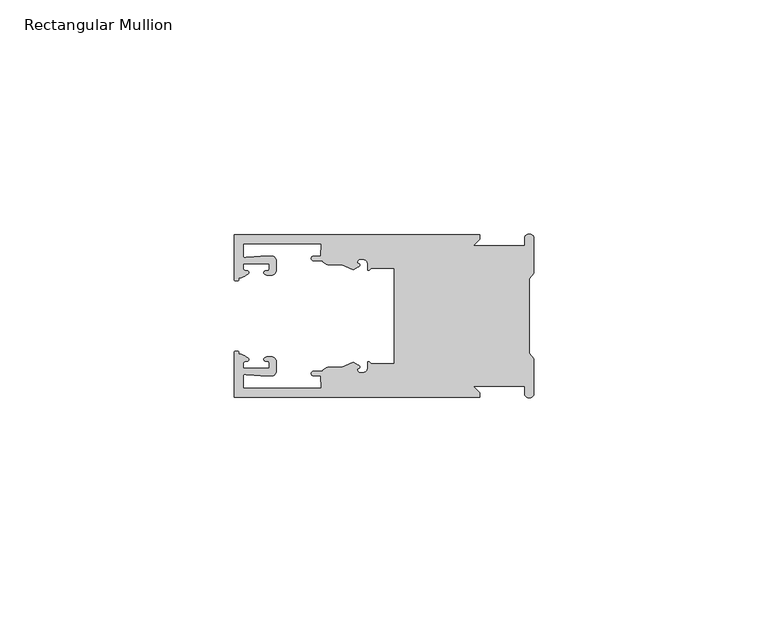
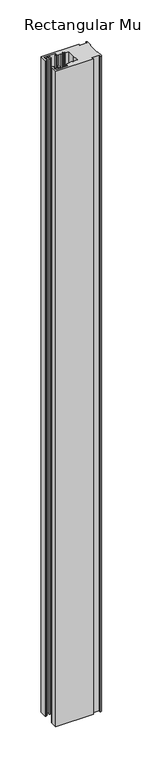
"""IFC4 building model written with IfcOpenShell, lengths in millimetres: member geometry, Rectangular Mullion."""

from ifc_helpers import new_model, si_unit, frame, origin, place, context, project, spatial, polyline, circle_curve, source, transform, mapped, element, save
from ifc_brep_helpers import plane_surface, cylinder_surface, revolved_surface, extruded_surface, spline_curve, advanced_brep


def rectangular_mullion_91ece413(model_context):
    return source(origin(), model_context, "Body", "AdvancedBrep", [
        advanced_brep(
        [(-11.5387897, 17.4000478, 0.0), (-64.0387868, 17.4000478, 0.0), (-64.0387868, 7.8350057, 0.0), (-63.2884687, 7.5412947, 0.0), (-62.4614154, 8.1921895, 0.0), (-62.0410649, 9.9426451, 0.0), (-62.0424168, 11.1926444, 0.0), (-56.54242, 11.1985924, 0.0), (-56.5410682, 9.9485931, 0.0), (-57.1085345, 8.7314723, 0.0), (-56.0397166, 8.6991345, 0.0), (-55.0407987, 9.7002154, 0.0), (-55.0430697, 11.8002142, 0.0), (-56.0446364, 12.7991315, 0.0), (-58.3650753, 12.7954945, 0.0), (-61.1340054, 12.5502269, 0.0), (-62.044093, 12.7426435, 0.0), (-62.0469668, 15.4000478, 0.0), (-45.4240312, 15.4000478, 0.0), (-45.5732135, 12.8000478, 0.0), (-47.0387868, 12.8000478, 0.0), (-47.0387868, 11.8000478, 0.0), (-45.2543363, 11.8000478, 0.0), (-43.6387868, 10.9000478, 0.0), (-41.0454034, 10.9000478, 0.0), (-38.5697136, 9.8718293, 0.0), (-37.5387868, 10.4670351, 0.0), (-37.6803436, 11.4201497, 0.0), (-37.0270763, 12.1583697, 0.0), (-36.2010815, 12.0127245, 0.0), (-35.54, 11.2248783, 0.0), (-35.54, 10.0, 0.0), (-34.7705791, 10.25, 0.0), (-29.79, 10.25, 0.0), (-29.79, 0.0, 0.0), (-29.79, -10.25, 0.0), (-34.7705791, -10.25, 0.0), (-35.54, -10.0, 0.0), (-35.54, -11.2248783, 0.0), (-36.2010815, -12.0127245, 0.0), (-37.0270763, -12.1583697, 0.0), (-37.6803436, -11.4201497, 0.0), (-37.5387868, -10.4670351, 0.0), (-38.5697136, -9.8718293, 0.0), (-41.0454034, -10.9000478, 0.0), (-43.6387868, -10.9000478, 0.0), (-45.2543363, -11.8000478, 0.0), (-47.0387868, -11.8000478, 0.0), (-47.0387868, -12.8000478, 0.0), (-45.5732135, -12.8000478, 0.0), (-45.4240312, -15.4000478, 0.0), (-62.0469668, -15.4000478, 0.0), (-62.044093, -12.7426435, 0.0), (-61.1340054, -12.5502269, 0.0), (-58.3650753, -12.7954945, 0.0), (-56.0446364, -12.7991314, 0.0), (-55.0430697, -11.8002142, 0.0), (-55.0407987, -9.7002154, 0.0), (-56.0397166, -8.6991345, 0.0), (-57.1085345, -8.7314723, 0.0), (-56.5410682, -9.9485931, 0.0), (-56.54242, -11.1985924, 0.0), (-62.0424168, -11.1926444, 0.0), (-62.0410649, -9.9426451, 0.0), (-62.4614154, -8.1921895, 0.0), (-63.2884687, -7.5412947, 0.0), (-64.0387868, -7.8350057, 0.0), (-64.0387868, -17.4000478, 0.0), (-11.5387897, -17.4000478, 0.0), (-11.5387897, -16.4000449, 0.0), (-12.9388346, -15.0, 0.0), (-2.0, -15.0, 0.0), (-2.0, -16.5, 0.0), (0.0, -16.5, 0.0), (0.0, -9.1160254, 0.0), (-1.0, -7.9613249, 0.0), (-1.0, 0.0, 0.0), (-1.0, 7.9613249, 0.0), (0.0, 9.1160254, 0.0), (0.0, 16.5, 0.0), (-2.0, 16.5, 0.0), (-2.0, 15.0, 0.0), (-12.9388346, 15.0, 0.0), (-11.5387897, 16.4000449, 0.0), (-11.5387897, 17.4000478, -965.2), (-11.5387897, 16.4000449, -965.2), (-12.9388346, 15.0, -965.2), (-2.0, 15.0, -965.2), (-2.0, 16.5, -965.2), (0.0, 16.5, -965.2), (0.0, 9.1160254, -965.2), (-1.0, 7.9613249, -965.2), (-1.0, 0.0, -965.2), (-1.0, -7.9613249, -965.2), (0.0, -9.1160254, -965.2), (0.0, -16.5, -965.2), (-2.0, -16.5, -965.2), (-2.0, -15.0, -965.2), (-12.9388346, -15.0, -965.2), (-11.5387897, -16.4000449, -965.2), (-11.5387897, -17.4000478, -965.2), (-64.0387868, -17.4000478, -965.2), (-64.0387868, -7.8350057, -965.2), (-63.2884687, -7.5412947, -965.2), (-62.4614154, -8.1921895, -965.2), (-62.0410649, -9.9426451, -965.2), (-62.0424168, -11.1926444, -965.2), (-56.54242, -11.1985924, -965.2), (-56.5410682, -9.9485931, -965.2), (-57.1085345, -8.7314723, -965.2), (-56.0397166, -8.6991345, -965.2), (-55.0407987, -9.7002154, -965.2), (-55.0430697, -11.8002142, -965.2), (-56.0446364, -12.7991315, -965.2), (-58.3650753, -12.7954945, -965.2), (-61.1340054, -12.5502269, -965.2), (-62.044093, -12.7426435, -965.2), (-62.0469668, -15.4000478, -965.2), (-45.4240312, -15.4000478, -965.2), (-45.5732135, -12.8000478, -965.2), (-47.0387868, -12.8000478, -965.2), (-47.0387868, -11.8000478, -965.2), (-45.2543363, -11.8000478, -965.2), (-43.6387868, -10.9000478, -965.2), (-41.0454034, -10.9000478, -965.2), (-38.5697136, -9.8718293, -965.2), (-37.5387868, -10.4670351, -965.2), (-37.6803436, -11.4201497, -965.2), (-37.0270763, -12.1583697, -965.2), (-36.2010815, -12.0127245, -965.2), (-35.54, -11.2248783, -965.2), (-35.54, -10.0, -965.2), (-34.7705791, -10.25, -965.2), (-29.79, -10.25, -965.2), (-29.79, 0.0, -965.2), (-29.79, 10.25, -965.2), (-34.7705791, 10.25, -965.2), (-35.54, 10.0, -965.2), (-35.54, 11.2248783, -965.2), (-36.2010815, 12.0127245, -965.2), (-37.0270763, 12.1583697, -965.2), (-37.6803436, 11.4201497, -965.2), (-37.5387868, 10.4670351, -965.2), (-38.5697136, 9.8718293, -965.2), (-41.0454034, 10.9000478, -965.2), (-43.6387868, 10.9000478, -965.2), (-45.2543363, 11.8000478, -965.2), (-47.0387868, 11.8000478, -965.2), (-47.0387868, 12.8000478, -965.2), (-45.5732135, 12.8000478, -965.2), (-45.4240312, 15.4000478, -965.2), (-62.0469668, 15.4000478, -965.2), (-62.044093, 12.7426435, -965.2), (-61.1340054, 12.5502269, -965.2), (-58.3650753, 12.7954945, -965.2), (-56.0446364, 12.7991314, -965.2), (-55.0430697, 11.8002142, -965.2), (-55.0407987, 9.7002154, -965.2), (-56.0397166, 8.6991345, -965.2), (-57.1085345, 8.7314723, -965.2), (-56.5410682, 9.9485931, -965.2), (-56.54242, 11.1985924, -965.2), (-62.0424168, 11.1926444, -965.2), (-62.0410649, 9.9426451, -965.2), (-62.4614154, 8.1921895, -965.2), (-63.2884687, 7.5412947, -965.2), (-64.0387868, 7.8350057, -965.2), (-64.0387868, 17.4000478, -965.2)],
        [
            (0, 1),
            (1, 2),
            (2, 3, spline_curve(3, [(-64.0387868, 7.8350057, 0.0), (-64.038491377, 7.561831774, 0.0), (-63.788385325, 7.463928087, 0.0), (-63.2884687, 7.5412947, 0.0)], [4, 4], [0.0, 0.0019169337574178654])),
            (3, 4, spline_curve(3, [(-63.2884687, 7.5412947, 0.0), (-63.057760917, 7.582232011, 0.0), (-63.018445067, 7.725390894, 0.0), (-63.019925494, 8.056436881, 0.0), (-63.103444208, 8.236386866, 0.0), (-62.4614154, 8.1921895, 0.0)], [4, 2, 4], [0.0, 0.0010199524164107188, 0.0024874514725970356])),
            (4, 5, spline_curve(3, [(-62.4614154, 8.1921895, 0.0), (-60.988497673, 8.880962536, 0.0), (-60.794045122, 9.192776957, 0.0), (-60.949808078, 9.57023562, 0.0), (-61.145214014, 9.682771697, 0.0), (-61.665835706, 9.714019003, 0.0), (-61.965242574, 9.660891484, 0.0), (-62.0410649, 9.9426451, 0.0)], [4, 2, 2, 4], [0.0, 0.003269869179570428, 0.005490050486237203, 0.0073545767114364426])),
            (5, 6),
            (6, 7),
            (7, 8),
            (8, 9, spline_curve(3, [(-56.5410682, 9.9485931, 0.0), (-56.634838635, 9.597117104, 0.0), (-56.904956774, 9.698238818, 0.0), (-57.324171444, 9.731086209, 0.0), (-57.45969165, 9.646199885, 0.0), (-57.729003352, 9.346016011, 0.0), (-57.859492582, 9.113082158, 0.0), (-57.1085345, 8.7314723, 0.0)], [4, 2, 2, 4], [0.0, 0.001593963049934732, 0.0033360256320283306, 0.005339140673503943])),
            (9, 10),
            (10, 11, circle_curve(frame((-56.0407981, 9.699134, 0.0), z_axis=(0.0, 0.0, 1.0), x_axis=(0.0010814451158627505, -0.9999994152380598, 0.0)), 1.0)),
            (11, 12),
            (12, 13, circle_curve(frame((-56.0430691, 11.7991327, 0.0), z_axis=(0.0, 0.0, 1.0), x_axis=(0.0010814451158627505, -0.9999994152380598, 0.0)), 1.0)),
            (13, 14),
            (14, 15),
            (15, 16, spline_curve(3, [(-61.1340054, 12.5502269, 0.0), (-61.605485428, 12.508463911, 0.0), (-61.992111419, 12.303164326, 0.0), (-62.044093, 12.7426435, 0.0)], [4, 4], [0.0, 0.0014803385355886016])),
            (16, 17),
            (17, 18),
            (18, 19),
            (19, 20),
            (20, 21, circle_curve(frame((-47.0387868, 12.3000478, 0.0), z_axis=(0.0, 0.0, 1.0), x_axis=(0.0, -1.0, 0.0)), 0.5)),
            (21, 22),
            (22, 23, circle_curve(frame((-43.6387868, 12.8000478, 0.0), z_axis=(0.0, 0.0, 1.0), x_axis=(0.0, -1.0, 0.0)), 1.9)),
            (23, 24),
            (24, 25),
            (25, 26),
            (26, 27, spline_curve(3, [(-37.5387868, 10.4670351, 0.0), (-36.973919853, 10.833863985, 0.0), (-37.198159645, 11.135696286, 0.0), (-37.587892011, 11.260246073, 0.0), (-37.754584192, 11.180452419, 0.0), (-37.6803436, 11.4201497, 0.0)], [4, 2, 4], [0.0, 0.0019283703160353726, 0.003394584635652914])),
            (27, 28, circle_curve(frame((-37.0434863, 11.5147359, 0.0), z_axis=(0.0, 0.0, -1.0), x_axis=(0.0, -1.0, 0.0)), 0.643843)),
            (28, 29),
            (29, 30, circle_curve(frame((-36.34, 11.2248783, 0.0), z_axis=(0.0, 0.0, -1.0), x_axis=(0.0, -1.0, 0.0)), 0.8)),
            (30, 31),
            (31, 32, spline_curve(3, [(-35.54, 10.0, 0.0), (-35.440000238, 9.598293201, 0.0), (-35.183526594, 9.681626535, 0.0), (-34.7705791, 10.25, 0.0)], [4, 4], [0.0, 0.0027473296990141553])),
            (32, 33),
            (33, 34),
            (34, 35),
            (35, 36),
            (36, 37, spline_curve(3, [(-34.7705791, -10.25, 0.0), (-35.183526594, -9.681626535, 0.0), (-35.440000238, -9.598293201, 0.0), (-35.54, -10.0, 0.0)], [4, 4], [0.0, 0.0027473296990141553])),
            (37, 38),
            (38, 39, circle_curve(frame((-36.34, -11.2248783, 0.0), z_axis=(0.0, 0.0, -1.0), x_axis=(0.0, 1.0, 0.0)), 0.8)),
            (39, 40),
            (40, 41, circle_curve(frame((-37.0434863, -11.5147359, 0.0), z_axis=(0.0, 0.0, -1.0), x_axis=(0.0, 1.0, 0.0)), 0.643843)),
            (41, 42, spline_curve(3, [(-37.6803436, -11.4201497, 0.0), (-37.754584192, -11.180452419, 0.0), (-37.587892011, -11.260246073, 0.0), (-37.198159645, -11.135696286, 0.0), (-36.973919853, -10.833863985, 0.0), (-37.5387868, -10.4670351, 0.0)], [4, 2, 4], [0.0, 0.0014662143196175414, 0.003394584635652914])),
            (42, 43),
            (43, 44),
            (44, 45),
            (45, 46, circle_curve(frame((-43.6387868, -12.8000478, 0.0), z_axis=(0.0, 0.0, 1.0), x_axis=(0.0, 1.0, 0.0)), 1.9)),
            (46, 47),
            (47, 48, circle_curve(frame((-47.0387868, -12.3000478, 0.0), z_axis=(0.0, 0.0, 1.0), x_axis=(0.0, 1.0, 0.0)), 0.5)),
            (48, 49),
            (49, 50),
            (50, 51),
            (51, 52),
            (52, 53, spline_curve(3, [(-62.044093, -12.7426435, 0.0), (-61.992111419, -12.303164326, 0.0), (-61.605485428, -12.508463911, 0.0), (-61.1340054, -12.5502269, 0.0)], [4, 4], [0.0, 0.0014803385355886016])),
            (53, 54),
            (54, 55),
            (55, 56, circle_curve(frame((-56.0430691, -11.7991327, 0.0), z_axis=(0.0, 0.0, 1.0), x_axis=(0.001081445115855867, 0.9999994152380598, 0.0)), 1.0)),
            (56, 57),
            (57, 58, circle_curve(frame((-56.0407981, -9.699134, 0.0), z_axis=(0.0, 0.0, 1.0), x_axis=(0.001081445115855867, 0.9999994152380598, 0.0)), 1.0)),
            (58, 59),
            (59, 60, spline_curve(3, [(-57.1085345, -8.7314723, 0.0), (-57.859492582, -9.113082158, 0.0), (-57.729003352, -9.346016011, 0.0), (-57.45969165, -9.646199885, 0.0), (-57.324171444, -9.731086209, 0.0), (-56.904956774, -9.698238818, 0.0), (-56.634838635, -9.597117104, 0.0), (-56.5410682, -9.9485931, 0.0)], [4, 2, 2, 4], [0.0, 0.002003115041475612, 0.0037451776235692107, 0.005339140673503943])),
            (60, 61),
            (61, 62),
            (62, 63),
            (63, 64, spline_curve(3, [(-62.0410649, -9.9426451, 0.0), (-61.965242574, -9.660891484, 0.0), (-61.665835706, -9.714019003, 0.0), (-61.145214014, -9.682771697, 0.0), (-60.949808078, -9.57023562, 0.0), (-60.794045122, -9.192776957, 0.0), (-60.988497673, -8.880962536, 0.0), (-62.4614154, -8.1921895, 0.0)], [4, 2, 2, 4], [0.0, 0.0018645262251992395, 0.004084707531866015, 0.0073545767114364426])),
            (64, 65, spline_curve(3, [(-62.4614154, -8.1921895, 0.0), (-63.103444208, -8.236386866, 0.0), (-63.019925494, -8.056436881, 0.0), (-63.018445067, -7.725390894, 0.0), (-63.057760917, -7.582232011, 0.0), (-63.2884687, -7.5412947, 0.0)], [4, 2, 4], [0.0, 0.0014674990561863168, 0.0024874514725970356])),
            (65, 66, spline_curve(3, [(-63.2884687, -7.5412947, 0.0), (-63.788385325, -7.463928087, 0.0), (-64.038491377, -7.561831774, 0.0), (-64.0387868, -7.8350057, 0.0)], [4, 4], [0.0, 0.0019169337574178654])),
            (66, 67),
            (67, 68),
            (68, 69),
            (69, 70),
            (70, 71),
            (71, 72),
            (72, 73, circle_curve(frame((-1.0, -16.5, 0.0), z_axis=(0.0, 0.0, 1.0), x_axis=(0.0, 1.0, 0.0)), 1.0)),
            (73, 74),
            (74, 75),
            (75, 76),
            (76, 77),
            (77, 78),
            (78, 79),
            (79, 80, circle_curve(frame((-1.0, 16.5, 0.0), z_axis=(0.0, 0.0, 1.0), x_axis=(0.0, -1.0, 0.0)), 1.0)),
            (80, 81),
            (81, 82),
            (82, 83),
            (83, 0),
            (84, 85),
            (85, 86),
            (86, 87),
            (87, 88),
            (88, 89, circle_curve(frame((-1.0, 16.5, -965.2), z_axis=(0.0, 0.0, -1.0), x_axis=(0.0, -1.0, 0.0)), 1.0)),
            (89, 90),
            (90, 91),
            (91, 92),
            (92, 93),
            (93, 94),
            (94, 95),
            (95, 96, circle_curve(frame((-1.0, -16.5, -965.2), z_axis=(0.0, 0.0, -1.0), x_axis=(0.0, 1.0, 0.0)), 1.0)),
            (96, 97),
            (97, 98),
            (98, 99),
            (99, 100),
            (100, 101),
            (101, 102),
            (102, 103, spline_curve(3, [(-64.0387868, -7.8350057, -965.2), (-64.038491377, -7.561831774, -965.2), (-63.788385325, -7.463928087, -965.2), (-63.2884687, -7.5412947, -965.2)], [4, 4], [0.0, 0.0019169337574178654])),
            (103, 104, spline_curve(3, [(-63.2884687, -7.5412947, -965.2), (-63.057760917, -7.582232011, -965.2), (-63.018445067, -7.725390894, -965.2), (-63.019925494, -8.056436881, -965.2), (-63.103444208, -8.236386866, -965.2), (-62.4614154, -8.1921895, -965.2)], [4, 2, 4], [0.0, 0.0010199524164107188, 0.0024874514725970356])),
            (104, 105, spline_curve(3, [(-62.4614154, -8.1921895, -965.2), (-60.988497673, -8.880962536, -965.2), (-60.794045122, -9.192776957, -965.2), (-60.949808078, -9.57023562, -965.2), (-61.145214014, -9.682771697, -965.2), (-61.665835706, -9.714019003, -965.2), (-61.965242574, -9.660891484, -965.2), (-62.0410649, -9.9426451, -965.2)], [4, 2, 2, 4], [0.0, 0.003269869179570428, 0.005490050486237203, 0.0073545767114364426])),
            (105, 106),
            (106, 107),
            (107, 108),
            (108, 109, spline_curve(3, [(-56.5410682, -9.9485931, -965.2), (-56.634838635, -9.597117104, -965.2), (-56.904956774, -9.698238818, -965.2), (-57.324171444, -9.731086209, -965.2), (-57.45969165, -9.646199885, -965.2), (-57.729003352, -9.346016011, -965.2), (-57.859492582, -9.113082158, -965.2), (-57.1085345, -8.7314723, -965.2)], [4, 2, 2, 4], [0.0, 0.001593963049934732, 0.0033360256320283306, 0.005339140673503943])),
            (109, 110),
            (110, 111, circle_curve(frame((-56.0407981, -9.699134, -965.2), z_axis=(0.0, 0.0, -1.0), x_axis=(0.001081445115855867, 0.9999994152380598, 0.0)), 1.0)),
            (111, 112),
            (112, 113, circle_curve(frame((-56.0430691, -11.7991327, -965.2), z_axis=(0.0, 0.0, -1.0), x_axis=(0.001081445115855867, 0.9999994152380598, 0.0)), 1.0)),
            (113, 114),
            (114, 115),
            (115, 116, spline_curve(3, [(-61.1340054, -12.5502269, -965.2), (-61.605485428, -12.508463911, -965.2), (-61.992111419, -12.303164326, -965.2), (-62.044093, -12.7426435, -965.2)], [4, 4], [0.0, 0.0014803385355886016])),
            (116, 117),
            (117, 118),
            (118, 119),
            (119, 120),
            (120, 121, circle_curve(frame((-47.0387868, -12.3000478, -965.2), z_axis=(0.0, 0.0, -1.0), x_axis=(0.0, 1.0, 0.0)), 0.5)),
            (121, 122),
            (122, 123, circle_curve(frame((-43.6387868, -12.8000478, -965.2), z_axis=(0.0, 0.0, -1.0), x_axis=(0.0, 1.0, 0.0)), 1.9)),
            (123, 124),
            (124, 125),
            (125, 126),
            (126, 127, spline_curve(3, [(-37.5387868, -10.4670351, -965.2), (-36.973919853, -10.833863985, -965.2), (-37.198159645, -11.135696286, -965.2), (-37.587892011, -11.260246073, -965.2), (-37.754584192, -11.180452419, -965.2), (-37.6803436, -11.4201497, -965.2)], [4, 2, 4], [0.0, 0.0019283703160353726, 0.003394584635652914])),
            (127, 128, circle_curve(frame((-37.0434863, -11.5147359, -965.2), z_axis=(0.0, 0.0, 1.0), x_axis=(0.0, 1.0, 0.0)), 0.643843)),
            (128, 129),
            (129, 130, circle_curve(frame((-36.34, -11.2248783, -965.2), z_axis=(0.0, 0.0, 1.0), x_axis=(0.0, 1.0, 0.0)), 0.8)),
            (130, 131),
            (131, 132, spline_curve(3, [(-35.54, -10.0, -965.2), (-35.440000238, -9.598293201, -965.2), (-35.183526594, -9.681626535, -965.2), (-34.7705791, -10.25, -965.2)], [4, 4], [0.0, 0.0027473296990141553])),
            (132, 133),
            (133, 134),
            (134, 135),
            (135, 136),
            (136, 137, spline_curve(3, [(-34.7705791, 10.25, -965.2), (-35.183526594, 9.681626535, -965.2), (-35.440000238, 9.598293201, -965.2), (-35.54, 10.0, -965.2)], [4, 4], [0.0, 0.0027473296990141553])),
            (137, 138),
            (138, 139, circle_curve(frame((-36.34, 11.2248783, -965.2), z_axis=(0.0, 0.0, 1.0), x_axis=(0.0, -1.0, 0.0)), 0.8)),
            (139, 140),
            (140, 141, circle_curve(frame((-37.0434863, 11.5147359, -965.2), z_axis=(0.0, 0.0, 1.0), x_axis=(0.0, -1.0, 0.0)), 0.643843)),
            (141, 142, spline_curve(3, [(-37.6803436, 11.4201497, -965.2), (-37.754584192, 11.180452419, -965.2), (-37.587892011, 11.260246073, -965.2), (-37.198159645, 11.135696286, -965.2), (-36.973919853, 10.833863985, -965.2), (-37.5387868, 10.4670351, -965.2)], [4, 2, 4], [0.0, 0.0014662143196175414, 0.003394584635652914])),
            (142, 143),
            (143, 144),
            (144, 145),
            (145, 146, circle_curve(frame((-43.6387868, 12.8000478, -965.2), z_axis=(0.0, 0.0, -1.0), x_axis=(0.0, -1.0, 0.0)), 1.9)),
            (146, 147),
            (147, 148, circle_curve(frame((-47.0387868, 12.3000478, -965.2), z_axis=(0.0, 0.0, -1.0), x_axis=(0.0, -1.0, 0.0)), 0.5)),
            (148, 149),
            (149, 150),
            (150, 151),
            (151, 152),
            (152, 153, spline_curve(3, [(-62.044093, 12.7426435, -965.2), (-61.992111419, 12.303164326, -965.2), (-61.605485428, 12.508463911, -965.2), (-61.1340054, 12.5502269, -965.2)], [4, 4], [0.0, 0.0014803385355886016])),
            (153, 154),
            (154, 155),
            (155, 156, circle_curve(frame((-56.0430691, 11.7991327, -965.2), z_axis=(0.0, 0.0, -1.0), x_axis=(0.0010814451158627505, -0.9999994152380598, 0.0)), 1.0)),
            (156, 157),
            (157, 158, circle_curve(frame((-56.0407981, 9.699134, -965.2), z_axis=(0.0, 0.0, -1.0), x_axis=(0.0010814451158627505, -0.9999994152380598, 0.0)), 1.0)),
            (158, 159),
            (159, 160, spline_curve(3, [(-57.1085345, 8.7314723, -965.2), (-57.859492582, 9.113082158, -965.2), (-57.729003352, 9.346016011, -965.2), (-57.45969165, 9.646199885, -965.2), (-57.324171444, 9.731086209, -965.2), (-56.904956774, 9.698238818, -965.2), (-56.634838635, 9.597117104, -965.2), (-56.5410682, 9.9485931, -965.2)], [4, 2, 2, 4], [0.0, 0.002003115041475612, 0.0037451776235692107, 0.005339140673503943])),
            (160, 161),
            (161, 162),
            (162, 163),
            (163, 164, spline_curve(3, [(-62.0410649, 9.9426451, -965.2), (-61.965242574, 9.660891484, -965.2), (-61.665835706, 9.714019003, -965.2), (-61.145214014, 9.682771697, -965.2), (-60.949808078, 9.57023562, -965.2), (-60.794045122, 9.192776957, -965.2), (-60.988497673, 8.880962536, -965.2), (-62.4614154, 8.1921895, -965.2)], [4, 2, 2, 4], [0.0, 0.0018645262251992395, 0.004084707531866015, 0.0073545767114364426])),
            (164, 165, spline_curve(3, [(-62.4614154, 8.1921895, -965.2), (-63.103444208, 8.236386866, -965.2), (-63.019925494, 8.056436881, -965.2), (-63.018445067, 7.725390894, -965.2), (-63.057760917, 7.582232011, -965.2), (-63.2884687, 7.5412947, -965.2)], [4, 2, 4], [0.0, 0.0014674990561863168, 0.0024874514725970356])),
            (165, 166, spline_curve(3, [(-63.2884687, 7.5412947, -965.2), (-63.788385325, 7.463928087, -965.2), (-64.038491377, 7.561831774, -965.2), (-64.0387868, 7.8350057, -965.2)], [4, 4], [0.0, 0.0019169337574178654])),
            (166, 167),
            (167, 84),
            (0, 84),
            (167, 1),
            (166, 2),
            (165, 3),
            (164, 4),
            (163, 5),
            (162, 6),
            (161, 7),
            (160, 8),
            (159, 9),
            (158, 10),
            (157, 11),
            (156, 12),
            (155, 13),
            (154, 14),
            (153, 15),
            (152, 16),
            (151, 17),
            (150, 18),
            (149, 19),
            (148, 20),
            (147, 21),
            (146, 22),
            (145, 23),
            (144, 24),
            (143, 25),
            (142, 26),
            (141, 27),
            (140, 28),
            (139, 29),
            (138, 30),
            (137, 31),
            (136, 32),
            (135, 33),
            (134, 34),
            (133, 35),
            (132, 36),
            (131, 37),
            (130, 38),
            (129, 39),
            (128, 40),
            (127, 41),
            (126, 42),
            (125, 43),
            (124, 44),
            (123, 45),
            (122, 46),
            (121, 47),
            (120, 48),
            (119, 49),
            (118, 50),
            (117, 51),
            (116, 52),
            (115, 53),
            (114, 54),
            (113, 55),
            (112, 56),
            (111, 57),
            (110, 58),
            (109, 59),
            (108, 60),
            (107, 61),
            (106, 62),
            (105, 63),
            (104, 64),
            (103, 65),
            (102, 66),
            (101, 67),
            (100, 68),
            (99, 69),
            (98, 70),
            (97, 71),
            (96, 72),
            (95, 73),
            (94, 74),
            (93, 75),
            (92, 76),
            (91, 77),
            (90, 78),
            (89, 79),
            (88, 80),
            (87, 81),
            (86, 82),
            (85, 83),
        ],
        [
            plane_surface(frame((0.0, -66.3605898, 0.0), z_axis=(0.0, 0.0, 1.0), x_axis=(-1.0, 0.0, 0.0))),
            plane_surface(frame((0.0, -66.3605898, -965.2), z_axis=(0.0, 0.0, -1.0), x_axis=(-1.0, 0.0, 0.0))),
            plane_surface(frame((-11.5387897, 17.4000478, 0.0), z_axis=(0.0, 1.0, 0.0), x_axis=(0.0, 0.0, -1.0))),
            plane_surface(frame((-64.0387868, 17.4000478, 0.0), z_axis=(-1.0, 0.0, 0.0), x_axis=(0.0, 0.0, -1.0))),
            extruded_surface(spline_curve(3, [(-64.0387868, 7.8350057, -965.2), (-64.038491377, 7.561831774, -965.2), (-63.788385325, 7.463928087, -965.2), (-63.2884687, 7.5412947, -965.2)], [4, 4], [0.0, 0.0019169337574178654]), (0.0, 0.0, 965.2), 965.2),
            extruded_surface(spline_curve(3, [(-63.2884687, 7.5412947, -965.2), (-63.057760917, 7.582232011, -965.2), (-63.018445067, 7.725390894, -965.2), (-63.019925494, 8.056436881, -965.2), (-63.103444208, 8.236386866, -965.2), (-62.4614154, 8.1921895, -965.2)], [4, 2, 4], [0.0, 0.0010199524164107188, 0.0024874514725970356]), (0.0, 0.0, 965.2), 965.2),
            extruded_surface(spline_curve(3, [(-62.4614154, 8.1921895, -965.2), (-60.988497673, 8.880962536, -965.2), (-60.794045122, 9.192776957, -965.2), (-60.949808078, 9.57023562, -965.2), (-61.145214014, 9.682771697, -965.2), (-61.665835706, 9.714019003, -965.2), (-61.965242574, 9.660891484, -965.2), (-62.0410649, 9.9426451, -965.2)], [4, 2, 2, 4], [0.0, 0.003269869179570428, 0.005490050486237203, 0.0073545767114364426]), (0.0, 0.0, 965.2), 965.2),
            plane_surface(frame((-62.0410649, 9.9426451, 0.0), z_axis=(0.9999994152380598, 0.0010814451158593665, 0.0), x_axis=(0.0, 0.0, -1.0))),
            plane_surface(frame((-62.0424168, 11.1926444, 0.0), z_axis=(0.0010814451158611391, -0.9999994152380598, 0.0), x_axis=(0.0, 0.0, -1.0))),
            plane_surface(frame((-56.54242, 11.1985924, 0.0), z_axis=(-0.9999994152380598, -0.0010814451158584516, 0.0), x_axis=(0.0, 0.0, -1.0))),
            extruded_surface(spline_curve(3, [(-56.5410682, 9.9485931, -965.2), (-56.634838635, 9.597117104, -965.2), (-56.904956774, 9.698238818, -965.2), (-57.324171444, 9.731086209, -965.2), (-57.45969165, 9.646199885, -965.2), (-57.729003352, 9.346016011, -965.2), (-57.859492582, 9.113082158, -965.2), (-57.1085345, 8.7314723, -965.2)], [4, 2, 2, 4], [0.0, 0.001593963049934732, 0.0033360256320283306, 0.005339140673503943]), (0.0, 0.0, 965.2), 965.2),
            plane_surface(frame((-57.1085345, 8.7314723, 0.0), z_axis=(-0.030241832452869922, -0.9995426111826813, 0.0), x_axis=(0.0, 0.0, -1.0))),
            cylinder_surface(frame((-56.0407981, 9.699134, 0.0), z_axis=(0.0, 0.0, 1.0000000000000002), x_axis=(0.0010814451158627505, -0.9999994152380598, 0.0)), 1.0),
            plane_surface(frame((-55.0407987, 9.7002154, 0.0), z_axis=(0.9999994152380598, 0.001081445115858722, 0.0), x_axis=(0.0, 0.0, -1.0))),
            cylinder_surface(frame((-56.0430691, 11.7991327, 0.0), z_axis=(0.0, 0.0, 1.0000000000000002), x_axis=(0.0010814451158627505, -0.9999994152380598, 0.0)), 1.0),
            plane_surface(frame((-56.0446364, 12.7991314, 0.0), z_axis=(-0.0015673183327907744, 0.9999987717558677, 0.0), x_axis=(0.0, 0.0, -1.0))),
            plane_surface(frame((-58.3650753, 12.7954945, 0.0), z_axis=(-0.08823302167299531, 0.9960998614026874, 0.0), x_axis=(0.0, 0.0, -1.0))),
            extruded_surface(spline_curve(3, [(-61.1340054, 12.5502269, -965.2), (-61.605485428, 12.508463911, -965.2), (-61.992111419, 12.303164326, -965.2), (-62.044093, 12.7426435, -965.2)], [4, 4], [0.0, 0.0014803385355886016]), (0.0, 0.0, 965.2), 965.2),
            plane_surface(frame((-62.044093, 12.7426435, 0.0), z_axis=(0.9999994152380598, 0.0010814451158597813, 0.0), x_axis=(0.0, 0.0, -1.0))),
            plane_surface(frame((-62.0469668, 15.4000478, 0.0), z_axis=(0.0, -1.0, 0.0), x_axis=(0.0, 0.0, -1.0))),
            plane_surface(frame((-45.4240312, 15.4000478, 0.0), z_axis=(-0.9983579461523547, 0.05728360458675776, 0.0), x_axis=(0.0, 0.0, -1.0))),
            plane_surface(frame((-45.5732135, 12.8000478, 0.0), z_axis=(0.0, 1.0, 0.0), x_axis=(0.0, 0.0, -1.0))),
            cylinder_surface(frame((-47.0387868, 12.3000478, 0.0), z_axis=(0.0, 0.0, 1.0), x_axis=(0.0, -1.0, 0.0)), 0.5),
            plane_surface(frame((-47.0387868, 11.8000478, 0.0), z_axis=(0.0, -1.0, 0.0), x_axis=(0.0, 0.0, -1.0))),
            cylinder_surface(frame((-43.6387868, 12.8000478, 0.0), z_axis=(0.0, 0.0, 1.0), x_axis=(0.0, -1.0, 0.0)), 1.9),
            plane_surface(frame((-43.6387868, 10.9000478, 0.0), z_axis=(0.0, -1.0, 0.0), x_axis=(0.0, 0.0, -1.0))),
            plane_surface(frame((-41.0454034, 10.9000478, 0.0), z_axis=(-0.3835602140750569, -0.9235158700199453, 0.0), x_axis=(0.0, 0.0, -1.0))),
            plane_surface(frame((-38.5697136, 9.8718293, 0.0), z_axis=(0.5000000000252295, -0.8660254037698725, 0.0), x_axis=(0.0, 0.0, -1.0))),
            extruded_surface(spline_curve(3, [(-37.5387868, 10.4670351, -965.2), (-36.973919853, 10.833863985, -965.2), (-37.198159645, 11.135696286, -965.2), (-37.587892011, 11.260246073, -965.2), (-37.754584192, 11.180452419, -965.2), (-37.6803436, 11.4201497, -965.2)], [4, 2, 4], [0.0, 0.0019283703160353726, 0.003394584635652914]), (0.0, 0.0, 965.2), 965.2),
            revolved_surface(polyline([(-37.0434863, 10.8708929, -965.2), (-37.0434863, 10.8708929, 0.0)]), (-37.0434863, 11.5147359, 0.0), (0.0, 0.0, -1.0)),
            plane_surface(frame((-37.0270763, 12.1583697, 0.0), z_axis=(-0.17364817767050408, -0.984807753011578, 0.0), x_axis=(0.0, 0.0, -1.0))),
            revolved_surface(polyline([(-36.34, 10.4248783, -965.2), (-36.34, 10.4248783, 0.0)]), (-36.34, 11.2248783, 0.0), (0.0, 0.0, -1.0)),
            plane_surface(frame((-35.54, 11.2248783, 0.0), z_axis=(-1.0, 0.0, 0.0), x_axis=(0.0, 0.0, -1.0))),
            extruded_surface(spline_curve(3, [(-35.54, 10.0, -965.2), (-35.440000238, 9.598293201, -965.2), (-35.183526594, 9.681626535, -965.2), (-34.7705791, 10.25, -965.2)], [4, 4], [0.0, 0.0027473296990141553]), (0.0, 0.0, 965.2), 965.2),
            plane_surface(frame((-34.7705791, 10.25, 0.0), z_axis=(0.0, -1.0, 0.0), x_axis=(0.0, 0.0, -1.0))),
            plane_surface(frame((-29.79, 10.25, 0.0), z_axis=(-1.0, 0.0, 0.0), x_axis=(0.0, 0.0, -1.0))),
            plane_surface(frame((-29.79, 0.0, 0.0), z_axis=(-1.0, 0.0, 0.0), x_axis=(0.0, 0.0, -1.0))),
            plane_surface(frame((-29.79, -10.25, 0.0), z_axis=(0.0, 1.0, 0.0), x_axis=(0.0, 0.0, -1.0))),
            extruded_surface(spline_curve(3, [(-34.7705791, -10.25, -965.2), (-35.183526594, -9.681626535, -965.2), (-35.440000238, -9.598293201, -965.2), (-35.54, -10.0, -965.2)], [4, 4], [0.0, 0.0027473296990141553]), (0.0, 0.0, 965.2), 965.2),
            plane_surface(frame((-35.54, -10.0, 0.0), z_axis=(-1.0, 0.0, 0.0), x_axis=(0.0, 0.0, -1.0))),
            revolved_surface(polyline([(-36.34, -10.4248783, -965.2), (-36.34, -10.4248783, 0.0)]), (-36.34, -11.2248783, 0.0), (0.0, 0.0, -1.0)),
            plane_surface(frame((-36.2010815, -12.0127245, 0.0), z_axis=(-0.17364817767051083, 0.9848077530115767, 0.0), x_axis=(0.0, 0.0, -1.0))),
            revolved_surface(polyline([(-37.0434863, -10.8708929, -965.2), (-37.0434863, -10.8708929, 0.0)]), (-37.0434863, -11.5147359, 0.0), (0.0, 0.0, -1.0)),
            extruded_surface(spline_curve(3, [(-37.6803436, -11.4201497, -965.2), (-37.754584192, -11.180452419, -965.2), (-37.587892011, -11.260246073, -965.2), (-37.198159645, -11.135696286, -965.2), (-36.973919853, -10.833863985, -965.2), (-37.5387868, -10.4670351, -965.2)], [4, 2, 4], [0.0, 0.0014662143196175414, 0.003394584635652914]), (0.0, 0.0, 965.2), 965.2),
            plane_surface(frame((-37.5387868, -10.4670351, 0.0), z_axis=(0.5000000000252234, 0.8660254037698759, 0.0), x_axis=(0.0, 0.0, -1.0))),
            plane_surface(frame((-38.5697136, -9.8718293, 0.0), z_axis=(-0.38356021407506324, 0.9235158700199426, 0.0), x_axis=(0.0, 0.0, -1.0))),
            plane_surface(frame((-41.0454034, -10.9000478, 0.0), z_axis=(0.0, 1.0, 0.0), x_axis=(0.0, 0.0, -1.0))),
            cylinder_surface(frame((-43.6387868, -12.8000478, 0.0), z_axis=(0.0, 0.0, 1.0), x_axis=(0.0, 1.0, 0.0)), 1.9),
            plane_surface(frame((-45.2543363, -11.8000478, 0.0), z_axis=(0.0, 1.0, 0.0), x_axis=(0.0, 0.0, -1.0))),
            cylinder_surface(frame((-47.0387868, -12.3000478, 0.0), z_axis=(0.0, 0.0, 1.0), x_axis=(0.0, 1.0, 0.0)), 0.5),
            plane_surface(frame((-47.0387868, -12.8000478, 0.0), z_axis=(0.0, -1.0, 0.0), x_axis=(0.0, 0.0, -1.0))),
            plane_surface(frame((-45.5732135, -12.8000478, 0.0), z_axis=(-0.9983579461523543, -0.05728360458676463, 0.0), x_axis=(0.0, 0.0, -1.0))),
            plane_surface(frame((-45.4240312, -15.4000478, 0.0), z_axis=(0.0, 1.0, 0.0), x_axis=(0.0, 0.0, -1.0))),
            plane_surface(frame((-62.0469668, -15.4000478, 0.0), z_axis=(0.9999994152380598, -0.001081445115852898, 0.0), x_axis=(0.0, 0.0, -1.0))),
            extruded_surface(spline_curve(3, [(-62.044093, -12.7426435, -965.2), (-61.992111419, -12.303164326, -965.2), (-61.605485428, -12.508463911, -965.2), (-61.1340054, -12.5502269, -965.2)], [4, 4], [0.0, 0.0014803385355886016]), (0.0, 0.0, 965.2), 965.2),
            plane_surface(frame((-61.1340054, -12.5502269, 0.0), z_axis=(-0.08823302167298844, -0.9960998614026879, 0.0), x_axis=(0.0, 0.0, -1.0))),
            plane_surface(frame((-58.3650753, -12.7954945, 0.0), z_axis=(-0.001567318332783891, -0.9999987717558677, 0.0), x_axis=(0.0, 0.0, -1.0))),
            cylinder_surface(frame((-56.0430691, -11.7991327, 0.0), z_axis=(0.0, 0.0, 1.0000000000000002), x_axis=(0.001081445115855867, 0.9999994152380598, 0.0)), 1.0),
            plane_surface(frame((-55.0430697, -11.8002142, 0.0), z_axis=(0.9999994152380598, -0.0010814451158518386, 0.0), x_axis=(0.0, 0.0, -1.0))),
            cylinder_surface(frame((-56.0407981, -9.699134, 0.0), z_axis=(0.0, 0.0, 1.0000000000000002), x_axis=(0.001081445115855867, 0.9999994152380598, 0.0)), 1.0),
            plane_surface(frame((-56.0397166, -8.6991345, 0.0), z_axis=(-0.030241832452876805, 0.9995426111826811, 0.0), x_axis=(0.0, 0.0, -1.0))),
            extruded_surface(spline_curve(3, [(-57.1085345, -8.7314723, -965.2), (-57.859492582, -9.113082158, -965.2), (-57.729003352, -9.346016011, -965.2), (-57.45969165, -9.646199885, -965.2), (-57.324171444, -9.731086209, -965.2), (-56.904956774, -9.698238818, -965.2), (-56.634838635, -9.597117104, -965.2), (-56.5410682, -9.9485931, -965.2)], [4, 2, 2, 4], [0.0, 0.002003115041475612, 0.0037451776235692107, 0.005339140673503943]), (0.0, 0.0, 965.2), 965.2),
            plane_surface(frame((-56.5410682, -9.9485931, 0.0), z_axis=(-0.9999994152380598, 0.0010814451158515682, 0.0), x_axis=(0.0, 0.0, -1.0))),
            plane_surface(frame((-56.54242, -11.1985924, 0.0), z_axis=(0.0010814451158542558, 0.9999994152380598, 0.0), x_axis=(0.0, 0.0, -1.0))),
            plane_surface(frame((-62.0424168, -11.1926444, 0.0), z_axis=(0.9999994152380598, -0.001081445115852483, 0.0), x_axis=(0.0, 0.0, -1.0))),
            extruded_surface(spline_curve(3, [(-62.0410649, -9.9426451, -965.2), (-61.965242574, -9.660891484, -965.2), (-61.665835706, -9.714019003, -965.2), (-61.145214014, -9.682771697, -965.2), (-60.949808078, -9.57023562, -965.2), (-60.794045122, -9.192776957, -965.2), (-60.988497673, -8.880962536, -965.2), (-62.4614154, -8.1921895, -965.2)], [4, 2, 2, 4], [0.0, 0.0018645262251992395, 0.004084707531866015, 0.0073545767114364426]), (0.0, 0.0, 965.2), 965.2),
            extruded_surface(spline_curve(3, [(-62.4614154, -8.1921895, -965.2), (-63.103444208, -8.236386866, -965.2), (-63.019925494, -8.056436881, -965.2), (-63.018445067, -7.725390894, -965.2), (-63.057760917, -7.582232011, -965.2), (-63.2884687, -7.5412947, -965.2)], [4, 2, 4], [0.0, 0.0014674990561863168, 0.0024874514725970356]), (0.0, 0.0, 965.2), 965.2),
            extruded_surface(spline_curve(3, [(-63.2884687, -7.5412947, -965.2), (-63.788385325, -7.463928087, -965.2), (-64.038491377, -7.561831774, -965.2), (-64.0387868, -7.8350057, -965.2)], [4, 4], [0.0, 0.0019169337574178654]), (0.0, 0.0, 965.2), 965.2),
            plane_surface(frame((-64.0387868, -7.8350057, 0.0), z_axis=(-1.0, 0.0, 0.0), x_axis=(0.0, 0.0, -1.0))),
            plane_surface(frame((-64.0387868, -17.4000478, 0.0), z_axis=(0.0, -1.0, 0.0), x_axis=(0.0, 0.0, -1.0))),
            plane_surface(frame((-11.5387897, -17.4000478, 0.0), z_axis=(1.0, 0.0, 0.0), x_axis=(0.0, 0.0, -1.0))),
            plane_surface(frame((-11.5387897, -16.4000449, 0.0), z_axis=(0.7071067811865457, 0.7071067811865493, 0.0), x_axis=(0.0, 0.0, -1.0))),
            plane_surface(frame((-12.9388346, -15.0, 0.0), z_axis=(0.0, -1.0, 0.0), x_axis=(0.0, 0.0, -1.0))),
            plane_surface(frame((-2.0, -15.0, 0.0), z_axis=(-1.0, 0.0, 0.0), x_axis=(0.0, 0.0, -1.0))),
            cylinder_surface(frame((-1.0, -16.5, 0.0), z_axis=(0.0, 0.0, 1.0), x_axis=(0.0, 1.0, 0.0)), 1.0),
            plane_surface(frame((0.0, -16.5, 0.0), z_axis=(1.0, 0.0, 0.0), x_axis=(0.0, 0.0, -1.0))),
            plane_surface(frame((0.0, -9.1160254, 0.0), z_axis=(0.7559289460231527, 0.6546536707025522, 0.0), x_axis=(0.0, 0.0, -1.0))),
            plane_surface(frame((-1.0, -7.9613249, 0.0), z_axis=(1.0, 0.0, 0.0), x_axis=(0.0, 0.0, -1.0))),
            plane_surface(frame((-1.0, 0.0, 0.0), z_axis=(1.0, 0.0, 0.0), x_axis=(0.0, 0.0, -1.0))),
            plane_surface(frame((-1.0, 7.9613249, 0.0), z_axis=(0.7559289460231571, -0.654653670702547, 0.0), x_axis=(0.0, 0.0, -1.0))),
            plane_surface(frame((0.0, 9.1160254, 0.0), z_axis=(1.0, 0.0, 0.0), x_axis=(0.0, 0.0, -1.0))),
            cylinder_surface(frame((-1.0, 16.5, 0.0), z_axis=(0.0, 0.0, 1.0), x_axis=(0.0, -1.0, 0.0)), 1.0),
            plane_surface(frame((-2.0, 16.5, 0.0), z_axis=(-1.0, 0.0, 0.0), x_axis=(0.0, 0.0, -1.0))),
            plane_surface(frame((-2.0, 15.0, 0.0), z_axis=(0.0, 1.0, 0.0), x_axis=(0.0, 0.0, -1.0))),
            plane_surface(frame((-12.9388346, 15.0, 0.0), z_axis=(0.7071067811865507, -0.7071067811865446, 0.0), x_axis=(0.0, 0.0, -1.0))),
            plane_surface(frame((-11.5387897, 16.4000449, 0.0), z_axis=(1.0, 0.0, 0.0), x_axis=(0.0, 0.0, -1.0))),
        ],
        [
            (0, [[1, 2, 3, 4, 5, 6, 7, 8, 9, 10, 11, 12, 13, 14, 15, 16, 17, 18, 19, 20, 21, 22, 23, 24, 25, 26, 27, 28, 29, 30, 31, 32, 33, 34, 35, 36, 37, 38, 39, 40, 41, 42, 43, 44, 45, 46, 47, 48, 49, 50, 51, 52, 53, 54, 55, 56, 57, 58, 59, 60, 61, 62, 63, 64, 65, 66, 67, 68, 69, 70, 71, 72, 73, 74, 75, 76, 77, 78, 79, 80, 81, 82, 83, 84]]),
            (1, [[85, 86, 87, 88, 89, 90, 91, 92, 93, 94, 95, 96, 97, 98, 99, 100, 101, 102, 103, 104, 105, 106, 107, 108, 109, 110, 111, 112, 113, 114, 115, 116, 117, 118, 119, 120, 121, 122, 123, 124, 125, 126, 127, 128, 129, 130, 131, 132, 133, 134, 135, 136, 137, 138, 139, 140, 141, 142, 143, 144, 145, 146, 147, 148, 149, 150, 151, 152, 153, 154, 155, 156, 157, 158, 159, 160, 161, 162, 163, 164, 165, 166, 167, 168]]),
            (2, [[-1, 169, -168, 170]]),
            (3, [[-2, -170, -167, 171]]),
            (4, [[-3, -171, -166, 172]]),
            (5, [[-4, -172, -165, 173]]),
            (6, [[-5, -173, -164, 174]]),
            (7, [[-6, -174, -163, 175]]),
            (8, [[-7, -175, -162, 176]]),
            (9, [[-8, -176, -161, 177]]),
            (10, [[-9, -177, -160, 178]]),
            (11, [[-10, -178, -159, 179]]),
            (12, [[-11, -179, -158, 180]]),
            (13, [[-12, -180, -157, 181]]),
            (14, [[-13, -181, -156, 182]]),
            (15, [[-14, -182, -155, 183]]),
            (16, [[-15, -183, -154, 184]]),
            (17, [[-16, -184, -153, 185]]),
            (18, [[-17, -185, -152, 186]]),
            (19, [[-18, -186, -151, 187]]),
            (20, [[-19, -187, -150, 188]]),
            (21, [[-20, -188, -149, 189]]),
            (22, [[-21, -189, -148, 190]]),
            (23, [[-22, -190, -147, 191]]),
            (24, [[-23, -191, -146, 192]]),
            (25, [[-24, -192, -145, 193]]),
            (26, [[-25, -193, -144, 194]]),
            (27, [[-26, -194, -143, 195]]),
            (28, [[-27, -195, -142, 196]]),
            (29, [[-28, -196, -141, 197]]),
            (30, [[-29, -197, -140, 198]]),
            (31, [[-30, -198, -139, 199]]),
            (32, [[-31, -199, -138, 200]]),
            (33, [[-32, -200, -137, 201]]),
            (34, [[-33, -201, -136, 202]]),
            (35, [[-34, -202, -135, 203]]),
            (36, [[-35, -203, -134, 204]]),
            (37, [[-36, -204, -133, 205]]),
            (38, [[-37, -205, -132, 206]]),
            (39, [[-38, -206, -131, 207]]),
            (40, [[-39, -207, -130, 208]]),
            (41, [[-40, -208, -129, 209]]),
            (42, [[-41, -209, -128, 210]]),
            (43, [[-42, -210, -127, 211]]),
            (44, [[-43, -211, -126, 212]]),
            (45, [[-44, -212, -125, 213]]),
            (46, [[-45, -213, -124, 214]]),
            (47, [[-46, -214, -123, 215]]),
            (48, [[-47, -215, -122, 216]]),
            (49, [[-48, -216, -121, 217]]),
            (50, [[-49, -217, -120, 218]]),
            (51, [[-50, -218, -119, 219]]),
            (52, [[-51, -219, -118, 220]]),
            (53, [[-52, -220, -117, 221]]),
            (54, [[-53, -221, -116, 222]]),
            (55, [[-54, -222, -115, 223]]),
            (56, [[-55, -223, -114, 224]]),
            (57, [[-56, -224, -113, 225]]),
            (58, [[-57, -225, -112, 226]]),
            (59, [[-58, -226, -111, 227]]),
            (60, [[-59, -227, -110, 228]]),
            (61, [[-60, -228, -109, 229]]),
            (62, [[-61, -229, -108, 230]]),
            (63, [[-62, -230, -107, 231]]),
            (64, [[-63, -231, -106, 232]]),
            (65, [[-64, -232, -105, 233]]),
            (66, [[-65, -233, -104, 234]]),
            (67, [[-66, -234, -103, 235]]),
            (68, [[-67, -235, -102, 236]]),
            (69, [[-68, -236, -101, 237]]),
            (70, [[-69, -237, -100, 238]]),
            (71, [[-70, -238, -99, 239]]),
            (72, [[-71, -239, -98, 240]]),
            (73, [[-72, -240, -97, 241]]),
            (74, [[-73, -241, -96, 242]]),
            (75, [[-74, -242, -95, 243]]),
            (76, [[-75, -243, -94, 244]]),
            (77, [[-76, -244, -93, 245]]),
            (78, [[-77, -245, -92, 246]]),
            (79, [[-78, -246, -91, 247]]),
            (80, [[-79, -247, -90, 248]]),
            (81, [[-80, -248, -89, 249]]),
            (82, [[-81, -249, -88, 250]]),
            (83, [[-82, -250, -87, 251]]),
            (84, [[-83, -251, -86, 252]]),
            (85, [[-84, -252, -85, -169]]),
        ],
    ),
    ])


if __name__ == "__main__":
    model = new_model("IFC4")
    model_context = context("Model", 3, world=origin())
    ifc_project = project(units=[si_unit("LENGTHUNIT", "METRE", prefix="MILLI")], contexts=[model_context])
    site = spatial("IfcSite", under=ifc_project)
    building = spatial("IfcBuilding", under=site)
    placement = place(None, origin())
    rectangular_mullion_shape = rectangular_mullion_91ece413(model_context)
    element("IfcMember", 1, ObjectType="Rectangular Mullion", at=placement, inside=building, context=model_context, shape_type="MappedRepresentation", body=[
        mapped(rectangular_mullion_shape, transform((0.0, 0.0, 0.0), x_axis=(1.0, 0.0, 0.0), y_axis=(0.0, 1.0, 0.0), z_axis=(0.0, 0.0, 1.0))),
    ])
    save(model, "model.ifc")
